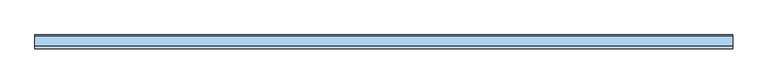
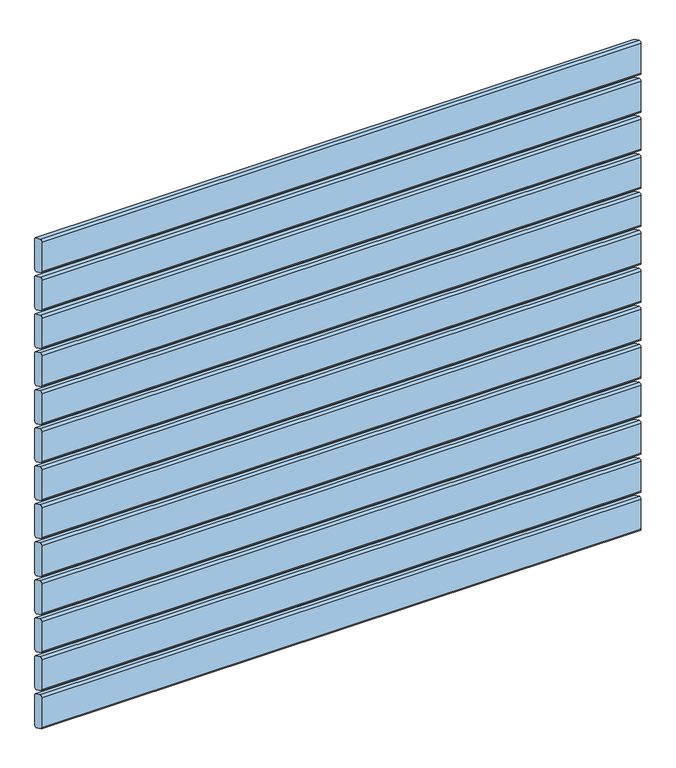
"""IFC4 building model written with IfcOpenShell, lengths in millimetres: window geometry."""

from ifc_helpers import new_model, si_unit, frame, origin, place, context, project, spatial, circle_curve, source, transform, mapped, element, save
from ifc_brep_helpers import plane_surface, cylinder_surface, advanced_brep


def window_c708cd6a(model_context):
    return source(origin(), model_context, "Body", "AdvancedBrep", [
        advanced_brep(
        [(500.0, 30.0028013, 1250.5270549), (500.0, 31.7349465, 1247.8081315), (500.0, 45.7322609, 1241.2810766), (500.0, 50.0, 1243.9736586), (500.0, 50.0, 1296.574129), (500.0, 48.9038327, 1298.8926244), (500.0, 34.1873858, 1305.7550163), (500.0, 30.0, 1303.0), (-500.0, 30.0, 1250.5270549), (-500.0, 30.0, 1303.0), (-500.0, 34.1873858, 1305.7550163), (-500.0, 48.9038327, 1298.8926244), (-500.0, 50.0, 1296.574129), (-500.0, 50.0, 1243.9736586), (-500.0, 45.7322609, 1241.2810766), (-500.0, 31.7349465, 1247.8081315)],
        [
            (0, 1, circle_curve(frame((500.0, 33.0028013, 1250.5270549), z_axis=(1.0, 0.0, 0.0), x_axis=(0.0, -0.422245314833475, -0.9064816016341312)), 3.0)),
            (1, 2),
            (2, 3, circle_curve(frame((500.0, 47.0001156, 1244.0), z_axis=(1.0, 0.0, 0.0), x_axis=(0.0, 1.0, 0.0)), 3.0)),
            (3, 4),
            (4, 5, circle_curve(frame((500.0, 47.0, 1296.574129), z_axis=(1.0, 0.0, 0.0), x_axis=(0.0, 0.4172998244673827, 0.908768868579625)), 3.0)),
            (5, 6),
            (6, 7, circle_curve(frame((500.0, 33.0, 1303.0), z_axis=(1.0, 0.0, 0.0), x_axis=(0.0, -1.0, 0.0)), 3.0)),
            (7, 0),
            (8, 9),
            (9, 10, circle_curve(frame((-500.0, 33.0, 1303.0), z_axis=(-1.0, 0.0, 0.0), x_axis=(0.0, -1.0, 0.0)), 3.0)),
            (10, 11),
            (11, 12, circle_curve(frame((-500.0, 47.0, 1296.574129), z_axis=(-1.0, 0.0, 0.0), x_axis=(0.0, 0.4172998244673827, 0.908768868579625)), 3.0)),
            (12, 13),
            (13, 14, circle_curve(frame((-500.0, 47.0001156, 1244.0), z_axis=(-1.0, 0.0, 0.0), x_axis=(0.0, 1.0, 0.0)), 3.0)),
            (14, 15),
            (15, 8, circle_curve(frame((-500.0, 33.0028013, 1250.5270549), z_axis=(-1.0, 0.0, 0.0), x_axis=(0.0, -0.422245314833475, -0.9064816016341312)), 3.0)),
            (0, 8),
            (15, 1),
            (14, 2),
            (13, 3),
            (12, 4),
            (11, 5),
            (10, 6),
            (9, 7),
        ],
        [
            plane_surface(frame((500.0, 100.0, 1273.5), z_axis=(1.0, 0.0, 0.0), x_axis=(0.0, 0.0, 1.0))),
            plane_surface(frame((-500.0, 100.0, 1273.5), z_axis=(-1.0, 0.0, 0.0), x_axis=(0.0, 0.0, 1.0))),
            cylinder_surface(frame((500.0, 33.0028013, 1250.5270549), z_axis=(1.0, 0.0, 0.0), x_axis=(0.0, -0.422245314833475, -0.9064816016341312)), 3.0),
            plane_surface(frame((500.0, 31.7349465, 1247.8081315), z_axis=(0.0, -0.4226182617407, -0.9063077870366497), x_axis=(-1.0, 0.0, 0.0))),
            cylinder_surface(frame((500.0, 47.0001156, 1244.0), z_axis=(1.0, 0.0, 0.0), x_axis=(0.0, 1.0, 0.0)), 3.0),
            plane_surface(frame((500.0, 50.0, 1243.9736586), z_axis=(0.0, 1.0, 0.0), x_axis=(-1.0, 0.0, 0.0))),
            cylinder_surface(frame((500.0, 47.0, 1296.574129), z_axis=(1.0000000000000002, 0.0, 0.0), x_axis=(0.0, 0.4172998244673827, 0.908768868579625)), 3.0),
            plane_surface(frame((500.0, 48.9038327, 1298.8926244), z_axis=(0.0, 0.4226182617406934, 0.9063077870366529), x_axis=(-1.0, 0.0, 0.0))),
            cylinder_surface(frame((500.0, 33.0, 1303.0), z_axis=(1.0, 0.0, 0.0), x_axis=(0.0, -1.0, 0.0)), 3.0),
            plane_surface(frame((500.0, 30.0, 1303.0), z_axis=(0.0, -1.0, 0.0), x_axis=(-1.0, 0.0, 0.0))),
        ],
        [
            (0, [[1, 2, 3, 4, 5, 6, 7, 8]]),
            (1, [[9, 10, 11, 12, 13, 14, 15, 16]]),
            (2, [[-1, 17, -16, 18]]),
            (3, [[-2, -18, -15, 19]]),
            (4, [[-3, -19, -14, 20]]),
            (5, [[-4, -20, -13, 21]]),
            (6, [[-5, -21, -12, 22]]),
            (7, [[-6, -22, -11, 23]]),
            (8, [[-7, -23, -10, 24]]),
            (9, [[-8, -24, -9, -17]]),
        ],
    ),
        advanced_brep(
        [(500.0, 30.0028013, 1183.5270549), (500.0, 31.7349465, 1180.8081315), (500.0, 45.7322609, 1174.2810766), (500.0, 50.0, 1176.9736586), (500.0, 50.0, 1229.574129), (500.0, 48.9038327, 1231.8926244), (500.0, 34.1873858, 1238.7550163), (500.0, 30.0, 1236.0), (-500.0, 30.0, 1183.5270549), (-500.0, 30.0, 1236.0), (-500.0, 34.1873858, 1238.7550163), (-500.0, 48.9038327, 1231.8926244), (-500.0, 50.0, 1229.574129), (-500.0, 50.0, 1176.9736586), (-500.0, 45.7322609, 1174.2810766), (-500.0, 31.7349465, 1180.8081315)],
        [
            (0, 1, circle_curve(frame((500.0, 33.0028013, 1183.5270549), z_axis=(1.0, 0.0, 0.0), x_axis=(0.0, -0.422245314833475, -0.9064816016341312)), 3.0)),
            (1, 2),
            (2, 3, circle_curve(frame((500.0, 47.0001156, 1177.0), z_axis=(1.0, 0.0, 0.0), x_axis=(0.0, 1.0, 0.0)), 3.0)),
            (3, 4),
            (4, 5, circle_curve(frame((500.0, 47.0, 1229.574129), z_axis=(1.0, 0.0, 0.0), x_axis=(0.0, 0.4172998244673827, 0.908768868579625)), 3.0)),
            (5, 6),
            (6, 7, circle_curve(frame((500.0, 33.0, 1236.0), z_axis=(1.0, 0.0, 0.0), x_axis=(0.0, -1.0, 0.0)), 3.0)),
            (7, 0),
            (8, 9),
            (9, 10, circle_curve(frame((-500.0, 33.0, 1236.0), z_axis=(-1.0, 0.0, 0.0), x_axis=(0.0, -1.0, 0.0)), 3.0)),
            (10, 11),
            (11, 12, circle_curve(frame((-500.0, 47.0, 1229.574129), z_axis=(-1.0, 0.0, 0.0), x_axis=(0.0, 0.4172998244673827, 0.908768868579625)), 3.0)),
            (12, 13),
            (13, 14, circle_curve(frame((-500.0, 47.0001156, 1177.0), z_axis=(-1.0, 0.0, 0.0), x_axis=(0.0, 1.0, 0.0)), 3.0)),
            (14, 15),
            (15, 8, circle_curve(frame((-500.0, 33.0028013, 1183.5270549), z_axis=(-1.0, 0.0, 0.0), x_axis=(0.0, -0.422245314833475, -0.9064816016341312)), 3.0)),
            (0, 8),
            (15, 1),
            (14, 2),
            (13, 3),
            (12, 4),
            (11, 5),
            (10, 6),
            (9, 7),
        ],
        [
            plane_surface(frame((500.0, 100.0, 1206.5), z_axis=(1.0, 0.0, 0.0), x_axis=(0.0, 0.0, 1.0))),
            plane_surface(frame((-500.0, 100.0, 1206.5), z_axis=(-1.0, 0.0, 0.0), x_axis=(0.0, 0.0, 1.0))),
            cylinder_surface(frame((500.0, 33.0028013, 1183.5270549), z_axis=(1.0, 0.0, 0.0), x_axis=(0.0, -0.422245314833475, -0.9064816016341312)), 3.0),
            plane_surface(frame((500.0, 31.7349465, 1180.8081315), z_axis=(0.0, -0.4226182617407, -0.9063077870366497), x_axis=(-1.0, 0.0, 0.0))),
            cylinder_surface(frame((500.0, 47.0001156, 1177.0), z_axis=(1.0, 0.0, 0.0), x_axis=(0.0, 1.0, 0.0)), 3.0),
            plane_surface(frame((500.0, 50.0, 1176.9736586), z_axis=(0.0, 1.0, 0.0), x_axis=(-1.0, 0.0, 0.0))),
            cylinder_surface(frame((500.0, 47.0, 1229.574129), z_axis=(1.0000000000000002, 0.0, 0.0), x_axis=(0.0, 0.4172998244673827, 0.908768868579625)), 3.0),
            plane_surface(frame((500.0, 48.9038327, 1231.8926244), z_axis=(0.0, 0.4226182617406934, 0.9063077870366529), x_axis=(-1.0, 0.0, 0.0))),
            cylinder_surface(frame((500.0, 33.0, 1236.0), z_axis=(1.0, 0.0, 0.0), x_axis=(0.0, -1.0, 0.0)), 3.0),
            plane_surface(frame((500.0, 30.0, 1236.0), z_axis=(0.0, -1.0, 0.0), x_axis=(-1.0, 0.0, 0.0))),
        ],
        [
            (0, [[1, 2, 3, 4, 5, 6, 7, 8]]),
            (1, [[9, 10, 11, 12, 13, 14, 15, 16]]),
            (2, [[-1, 17, -16, 18]]),
            (3, [[-2, -18, -15, 19]]),
            (4, [[-3, -19, -14, 20]]),
            (5, [[-4, -20, -13, 21]]),
            (6, [[-5, -21, -12, 22]]),
            (7, [[-6, -22, -11, 23]]),
            (8, [[-7, -23, -10, 24]]),
            (9, [[-8, -24, -9, -17]]),
        ],
    ),
        advanced_brep(
        [(500.0, 30.0028013, 1116.5270549), (500.0, 31.7349465, 1113.8081315), (500.0, 45.7322609, 1107.2810766), (500.0, 50.0, 1109.9736586), (500.0, 50.0, 1162.574129), (500.0, 48.9038327, 1164.8926244), (500.0, 34.1873858, 1171.7550163), (500.0, 30.0, 1169.0), (-500.0, 30.0, 1116.5270549), (-500.0, 30.0, 1169.0), (-500.0, 34.1873858, 1171.7550163), (-500.0, 48.9038327, 1164.8926244), (-500.0, 50.0, 1162.574129), (-500.0, 50.0, 1109.9736586), (-500.0, 45.7322609, 1107.2810766), (-500.0, 31.7349465, 1113.8081315)],
        [
            (0, 1, circle_curve(frame((500.0, 33.0028013, 1116.5270549), z_axis=(1.0, 0.0, 0.0), x_axis=(0.0, -0.422245314833475, -0.9064816016341312)), 3.0)),
            (1, 2),
            (2, 3, circle_curve(frame((500.0, 47.0001156, 1110.0), z_axis=(1.0, 0.0, 0.0), x_axis=(0.0, 1.0, 0.0)), 3.0)),
            (3, 4),
            (4, 5, circle_curve(frame((500.0, 47.0, 1162.574129), z_axis=(1.0, 0.0, 0.0), x_axis=(0.0, 0.4172998244673827, 0.908768868579625)), 3.0)),
            (5, 6),
            (6, 7, circle_curve(frame((500.0, 33.0, 1169.0), z_axis=(1.0, 0.0, 0.0), x_axis=(0.0, -1.0, 0.0)), 3.0)),
            (7, 0),
            (8, 9),
            (9, 10, circle_curve(frame((-500.0, 33.0, 1169.0), z_axis=(-1.0, 0.0, 0.0), x_axis=(0.0, -1.0, 0.0)), 3.0)),
            (10, 11),
            (11, 12, circle_curve(frame((-500.0, 47.0, 1162.574129), z_axis=(-1.0, 0.0, 0.0), x_axis=(0.0, 0.4172998244673827, 0.908768868579625)), 3.0)),
            (12, 13),
            (13, 14, circle_curve(frame((-500.0, 47.0001156, 1110.0), z_axis=(-1.0, 0.0, 0.0), x_axis=(0.0, 1.0, 0.0)), 3.0)),
            (14, 15),
            (15, 8, circle_curve(frame((-500.0, 33.0028013, 1116.5270549), z_axis=(-1.0, 0.0, 0.0), x_axis=(0.0, -0.422245314833475, -0.9064816016341312)), 3.0)),
            (0, 8),
            (15, 1),
            (14, 2),
            (13, 3),
            (12, 4),
            (11, 5),
            (10, 6),
            (9, 7),
        ],
        [
            plane_surface(frame((500.0, 100.0, 1139.5), z_axis=(1.0, 0.0, 0.0), x_axis=(0.0, 0.0, 1.0))),
            plane_surface(frame((-500.0, 100.0, 1139.5), z_axis=(-1.0, 0.0, 0.0), x_axis=(0.0, 0.0, 1.0))),
            cylinder_surface(frame((500.0, 33.0028013, 1116.5270549), z_axis=(1.0, 0.0, 0.0), x_axis=(0.0, -0.422245314833475, -0.9064816016341312)), 3.0),
            plane_surface(frame((500.0, 31.7349465, 1113.8081315), z_axis=(0.0, -0.4226182617407, -0.9063077870366497), x_axis=(-1.0, 0.0, 0.0))),
            cylinder_surface(frame((500.0, 47.0001156, 1110.0), z_axis=(1.0, 0.0, 0.0), x_axis=(0.0, 1.0, 0.0)), 3.0),
            plane_surface(frame((500.0, 50.0, 1109.9736586), z_axis=(0.0, 1.0, 0.0), x_axis=(-1.0, 0.0, 0.0))),
            cylinder_surface(frame((500.0, 47.0, 1162.574129), z_axis=(1.0000000000000002, 0.0, 0.0), x_axis=(0.0, 0.4172998244673827, 0.908768868579625)), 3.0),
            plane_surface(frame((500.0, 48.9038327, 1164.8926244), z_axis=(0.0, 0.4226182617406934, 0.9063077870366529), x_axis=(-1.0, 0.0, 0.0))),
            cylinder_surface(frame((500.0, 33.0, 1169.0), z_axis=(1.0, 0.0, 0.0), x_axis=(0.0, -1.0, 0.0)), 3.0),
            plane_surface(frame((500.0, 30.0, 1169.0), z_axis=(0.0, -1.0, 0.0), x_axis=(-1.0, 0.0, 0.0))),
        ],
        [
            (0, [[1, 2, 3, 4, 5, 6, 7, 8]]),
            (1, [[9, 10, 11, 12, 13, 14, 15, 16]]),
            (2, [[-1, 17, -16, 18]]),
            (3, [[-2, -18, -15, 19]]),
            (4, [[-3, -19, -14, 20]]),
            (5, [[-4, -20, -13, 21]]),
            (6, [[-5, -21, -12, 22]]),
            (7, [[-6, -22, -11, 23]]),
            (8, [[-7, -23, -10, 24]]),
            (9, [[-8, -24, -9, -17]]),
        ],
    ),
        advanced_brep(
        [(500.0, 30.0028013, 1049.5270549), (500.0, 31.7349465, 1046.8081315), (500.0, 45.7322609, 1040.2810766), (500.0, 50.0, 1042.9736586), (500.0, 50.0, 1095.574129), (500.0, 48.9038327, 1097.8926244), (500.0, 34.1873858, 1104.7550163), (500.0, 30.0, 1102.0), (-500.0, 30.0, 1049.5270549), (-500.0, 30.0, 1102.0), (-500.0, 34.1873858, 1104.7550163), (-500.0, 48.9038327, 1097.8926244), (-500.0, 50.0, 1095.574129), (-500.0, 50.0, 1042.9736586), (-500.0, 45.7322609, 1040.2810766), (-500.0, 31.7349465, 1046.8081315)],
        [
            (0, 1, circle_curve(frame((500.0, 33.0028013, 1049.5270549), z_axis=(1.0, 0.0, 0.0), x_axis=(0.0, -0.422245314833475, -0.9064816016341312)), 3.0)),
            (1, 2),
            (2, 3, circle_curve(frame((500.0, 47.0001156, 1043.0), z_axis=(1.0, 0.0, 0.0), x_axis=(0.0, 1.0, 0.0)), 3.0)),
            (3, 4),
            (4, 5, circle_curve(frame((500.0, 47.0, 1095.574129), z_axis=(1.0, 0.0, 0.0), x_axis=(0.0, 0.4172998244673827, 0.908768868579625)), 3.0)),
            (5, 6),
            (6, 7, circle_curve(frame((500.0, 33.0, 1102.0), z_axis=(1.0, 0.0, 0.0), x_axis=(0.0, -1.0, 0.0)), 3.0)),
            (7, 0),
            (8, 9),
            (9, 10, circle_curve(frame((-500.0, 33.0, 1102.0), z_axis=(-1.0, 0.0, 0.0), x_axis=(0.0, -1.0, 0.0)), 3.0)),
            (10, 11),
            (11, 12, circle_curve(frame((-500.0, 47.0, 1095.574129), z_axis=(-1.0, 0.0, 0.0), x_axis=(0.0, 0.4172998244673827, 0.908768868579625)), 3.0)),
            (12, 13),
            (13, 14, circle_curve(frame((-500.0, 47.0001156, 1043.0), z_axis=(-1.0, 0.0, 0.0), x_axis=(0.0, 1.0, 0.0)), 3.0)),
            (14, 15),
            (15, 8, circle_curve(frame((-500.0, 33.0028013, 1049.5270549), z_axis=(-1.0, 0.0, 0.0), x_axis=(0.0, -0.422245314833475, -0.9064816016341312)), 3.0)),
            (0, 8),
            (15, 1),
            (14, 2),
            (13, 3),
            (12, 4),
            (11, 5),
            (10, 6),
            (9, 7),
        ],
        [
            plane_surface(frame((500.0, 100.0, 1072.5), z_axis=(1.0, 0.0, 0.0), x_axis=(0.0, 0.0, 1.0))),
            plane_surface(frame((-500.0, 100.0, 1072.5), z_axis=(-1.0, 0.0, 0.0), x_axis=(0.0, 0.0, 1.0))),
            cylinder_surface(frame((500.0, 33.0028013, 1049.5270549), z_axis=(1.0, 0.0, 0.0), x_axis=(0.0, -0.422245314833475, -0.9064816016341312)), 3.0),
            plane_surface(frame((500.0, 31.7349465, 1046.8081315), z_axis=(0.0, -0.4226182617407, -0.9063077870366497), x_axis=(-1.0, 0.0, 0.0))),
            cylinder_surface(frame((500.0, 47.0001156, 1043.0), z_axis=(1.0, 0.0, 0.0), x_axis=(0.0, 1.0, 0.0)), 3.0),
            plane_surface(frame((500.0, 50.0, 1042.9736586), z_axis=(0.0, 1.0, 0.0), x_axis=(-1.0, 0.0, 0.0))),
            cylinder_surface(frame((500.0, 47.0, 1095.574129), z_axis=(1.0000000000000002, 0.0, 0.0), x_axis=(0.0, 0.4172998244673827, 0.908768868579625)), 3.0),
            plane_surface(frame((500.0, 48.9038327, 1097.8926244), z_axis=(0.0, 0.4226182617406934, 0.9063077870366529), x_axis=(-1.0, 0.0, 0.0))),
            cylinder_surface(frame((500.0, 33.0, 1102.0), z_axis=(1.0, 0.0, 0.0), x_axis=(0.0, -1.0, 0.0)), 3.0),
            plane_surface(frame((500.0, 30.0, 1102.0), z_axis=(0.0, -1.0, 0.0), x_axis=(-1.0, 0.0, 0.0))),
        ],
        [
            (0, [[1, 2, 3, 4, 5, 6, 7, 8]]),
            (1, [[9, 10, 11, 12, 13, 14, 15, 16]]),
            (2, [[-1, 17, -16, 18]]),
            (3, [[-2, -18, -15, 19]]),
            (4, [[-3, -19, -14, 20]]),
            (5, [[-4, -20, -13, 21]]),
            (6, [[-5, -21, -12, 22]]),
            (7, [[-6, -22, -11, 23]]),
            (8, [[-7, -23, -10, 24]]),
            (9, [[-8, -24, -9, -17]]),
        ],
    ),
        advanced_brep(
        [(500.0, 30.0028013, 982.5270549), (500.0, 31.7349465, 979.8081315), (500.0, 45.7322609, 973.2810766), (500.0, 50.0, 975.9736586), (500.0, 50.0, 1028.574129), (500.0, 48.9038327, 1030.8926244), (500.0, 34.1873858, 1037.7550163), (500.0, 30.0, 1035.0), (-500.0, 30.0, 982.5270549), (-500.0, 30.0, 1035.0), (-500.0, 34.1873858, 1037.7550163), (-500.0, 48.9038327, 1030.8926244), (-500.0, 50.0, 1028.574129), (-500.0, 50.0, 975.9736586), (-500.0, 45.7322609, 973.2810766), (-500.0, 31.7349465, 979.8081315)],
        [
            (0, 1, circle_curve(frame((500.0, 33.0028013, 982.5270549), z_axis=(1.0, 0.0, 0.0), x_axis=(0.0, -0.422245314833475, -0.9064816016341312)), 3.0)),
            (1, 2),
            (2, 3, circle_curve(frame((500.0, 47.0001156, 976.0), z_axis=(1.0, 0.0, 0.0), x_axis=(0.0, 1.0, 0.0)), 3.0)),
            (3, 4),
            (4, 5, circle_curve(frame((500.0, 47.0, 1028.574129), z_axis=(1.0, 0.0, 0.0), x_axis=(0.0, 0.4172998244673827, 0.908768868579625)), 3.0)),
            (5, 6),
            (6, 7, circle_curve(frame((500.0, 33.0, 1035.0), z_axis=(1.0, 0.0, 0.0), x_axis=(0.0, -1.0, 0.0)), 3.0)),
            (7, 0),
            (8, 9),
            (9, 10, circle_curve(frame((-500.0, 33.0, 1035.0), z_axis=(-1.0, 0.0, 0.0), x_axis=(0.0, -1.0, 0.0)), 3.0)),
            (10, 11),
            (11, 12, circle_curve(frame((-500.0, 47.0, 1028.574129), z_axis=(-1.0, 0.0, 0.0), x_axis=(0.0, 0.4172998244673827, 0.908768868579625)), 3.0)),
            (12, 13),
            (13, 14, circle_curve(frame((-500.0, 47.0001156, 976.0), z_axis=(-1.0, 0.0, 0.0), x_axis=(0.0, 1.0, 0.0)), 3.0)),
            (14, 15),
            (15, 8, circle_curve(frame((-500.0, 33.0028013, 982.5270549), z_axis=(-1.0, 0.0, 0.0), x_axis=(0.0, -0.422245314833475, -0.9064816016341312)), 3.0)),
            (0, 8),
            (15, 1),
            (14, 2),
            (13, 3),
            (12, 4),
            (11, 5),
            (10, 6),
            (9, 7),
        ],
        [
            plane_surface(frame((500.0, 100.0, 1005.5), z_axis=(1.0, 0.0, 0.0), x_axis=(0.0, 0.0, 1.0))),
            plane_surface(frame((-500.0, 100.0, 1005.5), z_axis=(-1.0, 0.0, 0.0), x_axis=(0.0, 0.0, 1.0))),
            cylinder_surface(frame((500.0, 33.0028013, 982.5270549), z_axis=(1.0, 0.0, 0.0), x_axis=(0.0, -0.422245314833475, -0.9064816016341312)), 3.0),
            plane_surface(frame((500.0, 31.7349465, 979.8081315), z_axis=(0.0, -0.4226182617407, -0.9063077870366497), x_axis=(-1.0, 0.0, 0.0))),
            cylinder_surface(frame((500.0, 47.0001156, 976.0), z_axis=(1.0, 0.0, 0.0), x_axis=(0.0, 1.0, 0.0)), 3.0),
            plane_surface(frame((500.0, 50.0, 975.9736586), z_axis=(0.0, 1.0, 0.0), x_axis=(-1.0, 0.0, 0.0))),
            cylinder_surface(frame((500.0, 47.0, 1028.574129), z_axis=(1.0000000000000002, 0.0, 0.0), x_axis=(0.0, 0.4172998244673827, 0.908768868579625)), 3.0),
            plane_surface(frame((500.0, 48.9038327, 1030.8926244), z_axis=(0.0, 0.4226182617406934, 0.9063077870366529), x_axis=(-1.0, 0.0, 0.0))),
            cylinder_surface(frame((500.0, 33.0, 1035.0), z_axis=(1.0, 0.0, 0.0), x_axis=(0.0, -1.0, 0.0)), 3.0),
            plane_surface(frame((500.0, 30.0, 1035.0), z_axis=(0.0, -1.0, 0.0), x_axis=(-1.0, 0.0, 0.0))),
        ],
        [
            (0, [[1, 2, 3, 4, 5, 6, 7, 8]]),
            (1, [[9, 10, 11, 12, 13, 14, 15, 16]]),
            (2, [[-1, 17, -16, 18]]),
            (3, [[-2, -18, -15, 19]]),
            (4, [[-3, -19, -14, 20]]),
            (5, [[-4, -20, -13, 21]]),
            (6, [[-5, -21, -12, 22]]),
            (7, [[-6, -22, -11, 23]]),
            (8, [[-7, -23, -10, 24]]),
            (9, [[-8, -24, -9, -17]]),
        ],
    ),
        advanced_brep(
        [(500.0, 30.0028013, 915.5270549), (500.0, 31.7349465, 912.8081315), (500.0, 45.7322609, 906.2810766), (500.0, 50.0, 908.9736586), (500.0, 50.0, 961.574129), (500.0, 48.9038327, 963.8926244), (500.0, 34.1873858, 970.7550163), (500.0, 30.0, 968.0), (-500.0, 30.0, 915.5270549), (-500.0, 30.0, 968.0), (-500.0, 34.1873858, 970.7550163), (-500.0, 48.9038327, 963.8926244), (-500.0, 50.0, 961.574129), (-500.0, 50.0, 908.9736586), (-500.0, 45.7322609, 906.2810766), (-500.0, 31.7349465, 912.8081315)],
        [
            (0, 1, circle_curve(frame((500.0, 33.0028013, 915.5270549), z_axis=(1.0, 0.0, 0.0), x_axis=(0.0, -0.422245314833475, -0.9064816016341312)), 3.0)),
            (1, 2),
            (2, 3, circle_curve(frame((500.0, 47.0001156, 909.0), z_axis=(1.0, 0.0, 0.0), x_axis=(0.0, 1.0, 0.0)), 3.0)),
            (3, 4),
            (4, 5, circle_curve(frame((500.0, 47.0, 961.574129), z_axis=(1.0, 0.0, 0.0), x_axis=(0.0, 0.4172998244673827, 0.908768868579625)), 3.0)),
            (5, 6),
            (6, 7, circle_curve(frame((500.0, 33.0, 968.0), z_axis=(1.0, 0.0, 0.0), x_axis=(0.0, -1.0, 0.0)), 3.0)),
            (7, 0),
            (8, 9),
            (9, 10, circle_curve(frame((-500.0, 33.0, 968.0), z_axis=(-1.0, 0.0, 0.0), x_axis=(0.0, -1.0, 0.0)), 3.0)),
            (10, 11),
            (11, 12, circle_curve(frame((-500.0, 47.0, 961.574129), z_axis=(-1.0, 0.0, 0.0), x_axis=(0.0, 0.4172998244673827, 0.908768868579625)), 3.0)),
            (12, 13),
            (13, 14, circle_curve(frame((-500.0, 47.0001156, 909.0), z_axis=(-1.0, 0.0, 0.0), x_axis=(0.0, 1.0, 0.0)), 3.0)),
            (14, 15),
            (15, 8, circle_curve(frame((-500.0, 33.0028013, 915.5270549), z_axis=(-1.0, 0.0, 0.0), x_axis=(0.0, -0.422245314833475, -0.9064816016341312)), 3.0)),
            (0, 8),
            (15, 1),
            (14, 2),
            (13, 3),
            (12, 4),
            (11, 5),
            (10, 6),
            (9, 7),
        ],
        [
            plane_surface(frame((500.0, 100.0, 938.5), z_axis=(1.0, 0.0, 0.0), x_axis=(0.0, 0.0, 1.0))),
            plane_surface(frame((-500.0, 100.0, 938.5), z_axis=(-1.0, 0.0, 0.0), x_axis=(0.0, 0.0, 1.0))),
            cylinder_surface(frame((500.0, 33.0028013, 915.5270549), z_axis=(1.0, 0.0, 0.0), x_axis=(0.0, -0.422245314833475, -0.9064816016341312)), 3.0),
            plane_surface(frame((500.0, 31.7349465, 912.8081315), z_axis=(0.0, -0.4226182617407, -0.9063077870366497), x_axis=(-1.0, 0.0, 0.0))),
            cylinder_surface(frame((500.0, 47.0001156, 909.0), z_axis=(1.0, 0.0, 0.0), x_axis=(0.0, 1.0, 0.0)), 3.0),
            plane_surface(frame((500.0, 50.0, 908.9736586), z_axis=(0.0, 1.0, 0.0), x_axis=(-1.0, 0.0, 0.0))),
            cylinder_surface(frame((500.0, 47.0, 961.574129), z_axis=(1.0000000000000002, 0.0, 0.0), x_axis=(0.0, 0.4172998244673827, 0.908768868579625)), 3.0),
            plane_surface(frame((500.0, 48.9038327, 963.8926244), z_axis=(0.0, 0.4226182617406934, 0.9063077870366529), x_axis=(-1.0, 0.0, 0.0))),
            cylinder_surface(frame((500.0, 33.0, 968.0), z_axis=(1.0, 0.0, 0.0), x_axis=(0.0, -1.0, 0.0)), 3.0),
            plane_surface(frame((500.0, 30.0, 968.0), z_axis=(0.0, -1.0, 0.0), x_axis=(-1.0, 0.0, 0.0))),
        ],
        [
            (0, [[1, 2, 3, 4, 5, 6, 7, 8]]),
            (1, [[9, 10, 11, 12, 13, 14, 15, 16]]),
            (2, [[-1, 17, -16, 18]]),
            (3, [[-2, -18, -15, 19]]),
            (4, [[-3, -19, -14, 20]]),
            (5, [[-4, -20, -13, 21]]),
            (6, [[-5, -21, -12, 22]]),
            (7, [[-6, -22, -11, 23]]),
            (8, [[-7, -23, -10, 24]]),
            (9, [[-8, -24, -9, -17]]),
        ],
    ),
        advanced_brep(
        [(500.0, 30.0028013, 848.5270549), (500.0, 31.7349465, 845.8081315), (500.0, 45.7322609, 839.2810766), (500.0, 50.0, 841.9736586), (500.0, 50.0, 894.574129), (500.0, 48.9038327, 896.8926244), (500.0, 34.1873858, 903.7550163), (500.0, 30.0, 901.0), (-500.0, 30.0, 848.5270549), (-500.0, 30.0, 901.0), (-500.0, 34.1873858, 903.7550163), (-500.0, 48.9038327, 896.8926244), (-500.0, 50.0, 894.574129), (-500.0, 50.0, 841.9736586), (-500.0, 45.7322609, 839.2810766), (-500.0, 31.7349465, 845.8081315)],
        [
            (0, 1, circle_curve(frame((500.0, 33.0028013, 848.5270549), z_axis=(1.0, 0.0, 0.0), x_axis=(0.0, -0.422245314833475, -0.9064816016341312)), 3.0)),
            (1, 2),
            (2, 3, circle_curve(frame((500.0, 47.0001156, 842.0), z_axis=(1.0, 0.0, 0.0), x_axis=(0.0, 1.0, 0.0)), 3.0)),
            (3, 4),
            (4, 5, circle_curve(frame((500.0, 47.0, 894.574129), z_axis=(1.0, 0.0, 0.0), x_axis=(0.0, 0.4172998244673827, 0.908768868579625)), 3.0)),
            (5, 6),
            (6, 7, circle_curve(frame((500.0, 33.0, 901.0), z_axis=(1.0, 0.0, 0.0), x_axis=(0.0, -1.0, 0.0)), 3.0)),
            (7, 0),
            (8, 9),
            (9, 10, circle_curve(frame((-500.0, 33.0, 901.0), z_axis=(-1.0, 0.0, 0.0), x_axis=(0.0, -1.0, 0.0)), 3.0)),
            (10, 11),
            (11, 12, circle_curve(frame((-500.0, 47.0, 894.574129), z_axis=(-1.0, 0.0, 0.0), x_axis=(0.0, 0.4172998244673827, 0.908768868579625)), 3.0)),
            (12, 13),
            (13, 14, circle_curve(frame((-500.0, 47.0001156, 842.0), z_axis=(-1.0, 0.0, 0.0), x_axis=(0.0, 1.0, 0.0)), 3.0)),
            (14, 15),
            (15, 8, circle_curve(frame((-500.0, 33.0028013, 848.5270549), z_axis=(-1.0, 0.0, 0.0), x_axis=(0.0, -0.422245314833475, -0.9064816016341312)), 3.0)),
            (0, 8),
            (15, 1),
            (14, 2),
            (13, 3),
            (12, 4),
            (11, 5),
            (10, 6),
            (9, 7),
        ],
        [
            plane_surface(frame((500.0, 100.0, 871.5), z_axis=(1.0, 0.0, 0.0), x_axis=(0.0, 0.0, 1.0))),
            plane_surface(frame((-500.0, 100.0, 871.5), z_axis=(-1.0, 0.0, 0.0), x_axis=(0.0, 0.0, 1.0))),
            cylinder_surface(frame((500.0, 33.0028013, 848.5270549), z_axis=(1.0, 0.0, 0.0), x_axis=(0.0, -0.422245314833475, -0.9064816016341312)), 3.0),
            plane_surface(frame((500.0, 31.7349465, 845.8081315), z_axis=(0.0, -0.4226182617407, -0.9063077870366497), x_axis=(-1.0, 0.0, 0.0))),
            cylinder_surface(frame((500.0, 47.0001156, 842.0), z_axis=(1.0, 0.0, 0.0), x_axis=(0.0, 1.0, 0.0)), 3.0),
            plane_surface(frame((500.0, 50.0, 841.9736586), z_axis=(0.0, 1.0, 0.0), x_axis=(-1.0, 0.0, 0.0))),
            cylinder_surface(frame((500.0, 47.0, 894.574129), z_axis=(1.0000000000000002, 0.0, 0.0), x_axis=(0.0, 0.4172998244673827, 0.908768868579625)), 3.0),
            plane_surface(frame((500.0, 48.9038327, 896.8926244), z_axis=(0.0, 0.4226182617406934, 0.9063077870366529), x_axis=(-1.0, 0.0, 0.0))),
            cylinder_surface(frame((500.0, 33.0, 901.0), z_axis=(1.0, 0.0, 0.0), x_axis=(0.0, -1.0, 0.0)), 3.0),
            plane_surface(frame((500.0, 30.0, 901.0), z_axis=(0.0, -1.0, 0.0), x_axis=(-1.0, 0.0, 0.0))),
        ],
        [
            (0, [[1, 2, 3, 4, 5, 6, 7, 8]]),
            (1, [[9, 10, 11, 12, 13, 14, 15, 16]]),
            (2, [[-1, 17, -16, 18]]),
            (3, [[-2, -18, -15, 19]]),
            (4, [[-3, -19, -14, 20]]),
            (5, [[-4, -20, -13, 21]]),
            (6, [[-5, -21, -12, 22]]),
            (7, [[-6, -22, -11, 23]]),
            (8, [[-7, -23, -10, 24]]),
            (9, [[-8, -24, -9, -17]]),
        ],
    ),
        advanced_brep(
        [(500.0, 30.0028013, 781.5270549), (500.0, 31.7349465, 778.8081315), (500.0, 45.7322609, 772.2810766), (500.0, 50.0, 774.9736586), (500.0, 50.0, 827.574129), (500.0, 48.9038327, 829.8926244), (500.0, 34.1873858, 836.7550163), (500.0, 30.0, 834.0), (-500.0, 30.0, 781.5270549), (-500.0, 30.0, 834.0), (-500.0, 34.1873858, 836.7550163), (-500.0, 48.9038327, 829.8926244), (-500.0, 50.0, 827.574129), (-500.0, 50.0, 774.9736586), (-500.0, 45.7322609, 772.2810766), (-500.0, 31.7349465, 778.8081315)],
        [
            (0, 1, circle_curve(frame((500.0, 33.0028013, 781.5270549), z_axis=(1.0, 0.0, 0.0), x_axis=(0.0, -0.422245314833475, -0.9064816016341312)), 3.0)),
            (1, 2),
            (2, 3, circle_curve(frame((500.0, 47.0001156, 775.0), z_axis=(1.0, 0.0, 0.0), x_axis=(0.0, 1.0, 0.0)), 3.0)),
            (3, 4),
            (4, 5, circle_curve(frame((500.0, 47.0, 827.574129), z_axis=(1.0, 0.0, 0.0), x_axis=(0.0, 0.4172998244673827, 0.908768868579625)), 3.0)),
            (5, 6),
            (6, 7, circle_curve(frame((500.0, 33.0, 834.0), z_axis=(1.0, 0.0, 0.0), x_axis=(0.0, -1.0, 0.0)), 3.0)),
            (7, 0),
            (8, 9),
            (9, 10, circle_curve(frame((-500.0, 33.0, 834.0), z_axis=(-1.0, 0.0, 0.0), x_axis=(0.0, -1.0, 0.0)), 3.0)),
            (10, 11),
            (11, 12, circle_curve(frame((-500.0, 47.0, 827.574129), z_axis=(-1.0, 0.0, 0.0), x_axis=(0.0, 0.4172998244673827, 0.908768868579625)), 3.0)),
            (12, 13),
            (13, 14, circle_curve(frame((-500.0, 47.0001156, 775.0), z_axis=(-1.0, 0.0, 0.0), x_axis=(0.0, 1.0, 0.0)), 3.0)),
            (14, 15),
            (15, 8, circle_curve(frame((-500.0, 33.0028013, 781.5270549), z_axis=(-1.0, 0.0, 0.0), x_axis=(0.0, -0.422245314833475, -0.9064816016341312)), 3.0)),
            (0, 8),
            (15, 1),
            (14, 2),
            (13, 3),
            (12, 4),
            (11, 5),
            (10, 6),
            (9, 7),
        ],
        [
            plane_surface(frame((500.0, 100.0, 804.5), z_axis=(1.0, 0.0, 0.0), x_axis=(0.0, 0.0, 1.0))),
            plane_surface(frame((-500.0, 100.0, 804.5), z_axis=(-1.0, 0.0, 0.0), x_axis=(0.0, 0.0, 1.0))),
            cylinder_surface(frame((500.0, 33.0028013, 781.5270549), z_axis=(1.0, 0.0, 0.0), x_axis=(0.0, -0.422245314833475, -0.9064816016341312)), 3.0),
            plane_surface(frame((500.0, 31.7349465, 778.8081315), z_axis=(0.0, -0.4226182617407, -0.9063077870366497), x_axis=(-1.0, 0.0, 0.0))),
            cylinder_surface(frame((500.0, 47.0001156, 775.0), z_axis=(1.0, 0.0, 0.0), x_axis=(0.0, 1.0, 0.0)), 3.0),
            plane_surface(frame((500.0, 50.0, 774.9736586), z_axis=(0.0, 1.0, 0.0), x_axis=(-1.0, 0.0, 0.0))),
            cylinder_surface(frame((500.0, 47.0, 827.574129), z_axis=(1.0000000000000002, 0.0, 0.0), x_axis=(0.0, 0.4172998244673827, 0.908768868579625)), 3.0),
            plane_surface(frame((500.0, 48.9038327, 829.8926244), z_axis=(0.0, 0.4226182617406934, 0.9063077870366529), x_axis=(-1.0, 0.0, 0.0))),
            cylinder_surface(frame((500.0, 33.0, 834.0), z_axis=(1.0, 0.0, 0.0), x_axis=(0.0, -1.0, 0.0)), 3.0),
            plane_surface(frame((500.0, 30.0, 834.0), z_axis=(0.0, -1.0, 0.0), x_axis=(-1.0, 0.0, 0.0))),
        ],
        [
            (0, [[1, 2, 3, 4, 5, 6, 7, 8]]),
            (1, [[9, 10, 11, 12, 13, 14, 15, 16]]),
            (2, [[-1, 17, -16, 18]]),
            (3, [[-2, -18, -15, 19]]),
            (4, [[-3, -19, -14, 20]]),
            (5, [[-4, -20, -13, 21]]),
            (6, [[-5, -21, -12, 22]]),
            (7, [[-6, -22, -11, 23]]),
            (8, [[-7, -23, -10, 24]]),
            (9, [[-8, -24, -9, -17]]),
        ],
    ),
        advanced_brep(
        [(500.0, 30.0028013, 714.5270549), (500.0, 31.7349465, 711.8081315), (500.0, 45.7322609, 705.2810766), (500.0, 50.0, 707.9736586), (500.0, 50.0, 760.574129), (500.0, 48.9038327, 762.8926244), (500.0, 34.1873858, 769.7550163), (500.0, 30.0, 767.0), (-500.0, 30.0, 714.5270549), (-500.0, 30.0, 767.0), (-500.0, 34.1873858, 769.7550163), (-500.0, 48.9038327, 762.8926244), (-500.0, 50.0, 760.574129), (-500.0, 50.0, 707.9736586), (-500.0, 45.7322609, 705.2810766), (-500.0, 31.7349465, 711.8081315)],
        [
            (0, 1, circle_curve(frame((500.0, 33.0028013, 714.5270549), z_axis=(1.0, 0.0, 0.0), x_axis=(0.0, -0.422245314833475, -0.9064816016341312)), 3.0)),
            (1, 2),
            (2, 3, circle_curve(frame((500.0, 47.0001156, 708.0), z_axis=(1.0, 0.0, 0.0), x_axis=(0.0, 1.0, 0.0)), 3.0)),
            (3, 4),
            (4, 5, circle_curve(frame((500.0, 47.0, 760.574129), z_axis=(1.0, 0.0, 0.0), x_axis=(0.0, 0.4172998244673827, 0.908768868579625)), 3.0)),
            (5, 6),
            (6, 7, circle_curve(frame((500.0, 33.0, 767.0), z_axis=(1.0, 0.0, 0.0), x_axis=(0.0, -1.0, 0.0)), 3.0)),
            (7, 0),
            (8, 9),
            (9, 10, circle_curve(frame((-500.0, 33.0, 767.0), z_axis=(-1.0, 0.0, 0.0), x_axis=(0.0, -1.0, 0.0)), 3.0)),
            (10, 11),
            (11, 12, circle_curve(frame((-500.0, 47.0, 760.574129), z_axis=(-1.0, 0.0, 0.0), x_axis=(0.0, 0.4172998244673827, 0.908768868579625)), 3.0)),
            (12, 13),
            (13, 14, circle_curve(frame((-500.0, 47.0001156, 708.0), z_axis=(-1.0, 0.0, 0.0), x_axis=(0.0, 1.0, 0.0)), 3.0)),
            (14, 15),
            (15, 8, circle_curve(frame((-500.0, 33.0028013, 714.5270549), z_axis=(-1.0, 0.0, 0.0), x_axis=(0.0, -0.422245314833475, -0.9064816016341312)), 3.0)),
            (0, 8),
            (15, 1),
            (14, 2),
            (13, 3),
            (12, 4),
            (11, 5),
            (10, 6),
            (9, 7),
        ],
        [
            plane_surface(frame((500.0, 100.0, 737.5), z_axis=(1.0, 0.0, 0.0), x_axis=(0.0, 0.0, 1.0))),
            plane_surface(frame((-500.0, 100.0, 737.5), z_axis=(-1.0, 0.0, 0.0), x_axis=(0.0, 0.0, 1.0))),
            cylinder_surface(frame((500.0, 33.0028013, 714.5270549), z_axis=(1.0, 0.0, 0.0), x_axis=(0.0, -0.422245314833475, -0.9064816016341312)), 3.0),
            plane_surface(frame((500.0, 31.7349465, 711.8081315), z_axis=(0.0, -0.4226182617407, -0.9063077870366497), x_axis=(-1.0, 0.0, 0.0))),
            cylinder_surface(frame((500.0, 47.0001156, 708.0), z_axis=(1.0, 0.0, 0.0), x_axis=(0.0, 1.0, 0.0)), 3.0),
            plane_surface(frame((500.0, 50.0, 707.9736586), z_axis=(0.0, 1.0, 0.0), x_axis=(-1.0, 0.0, 0.0))),
            cylinder_surface(frame((500.0, 47.0, 760.574129), z_axis=(1.0000000000000002, 0.0, 0.0), x_axis=(0.0, 0.4172998244673827, 0.908768868579625)), 3.0),
            plane_surface(frame((500.0, 48.9038327, 762.8926244), z_axis=(0.0, 0.4226182617406934, 0.9063077870366529), x_axis=(-1.0, 0.0, 0.0))),
            cylinder_surface(frame((500.0, 33.0, 767.0), z_axis=(1.0, 0.0, 0.0), x_axis=(0.0, -1.0, 0.0)), 3.0),
            plane_surface(frame((500.0, 30.0, 767.0), z_axis=(0.0, -1.0, 0.0), x_axis=(-1.0, 0.0, 0.0))),
        ],
        [
            (0, [[1, 2, 3, 4, 5, 6, 7, 8]]),
            (1, [[9, 10, 11, 12, 13, 14, 15, 16]]),
            (2, [[-1, 17, -16, 18]]),
            (3, [[-2, -18, -15, 19]]),
            (4, [[-3, -19, -14, 20]]),
            (5, [[-4, -20, -13, 21]]),
            (6, [[-5, -21, -12, 22]]),
            (7, [[-6, -22, -11, 23]]),
            (8, [[-7, -23, -10, 24]]),
            (9, [[-8, -24, -9, -17]]),
        ],
    ),
        advanced_brep(
        [(500.0, 30.0028013, 647.5270549), (500.0, 31.7349465, 644.8081315), (500.0, 45.7322609, 638.2810766), (500.0, 50.0, 640.9736586), (500.0, 50.0, 693.574129), (500.0, 48.9038327, 695.8926244), (500.0, 34.1873858, 702.7550163), (500.0, 30.0, 700.0), (-500.0, 30.0, 647.5270549), (-500.0, 30.0, 700.0), (-500.0, 34.1873858, 702.7550163), (-500.0, 48.9038327, 695.8926244), (-500.0, 50.0, 693.574129), (-500.0, 50.0, 640.9736586), (-500.0, 45.7322609, 638.2810766), (-500.0, 31.7349465, 644.8081315)],
        [
            (0, 1, circle_curve(frame((500.0, 33.0028013, 647.5270549), z_axis=(1.0, 0.0, 0.0), x_axis=(0.0, -0.422245314833475, -0.9064816016341312)), 3.0)),
            (1, 2),
            (2, 3, circle_curve(frame((500.0, 47.0001156, 641.0), z_axis=(1.0, 0.0, 0.0), x_axis=(0.0, 1.0, 0.0)), 3.0)),
            (3, 4),
            (4, 5, circle_curve(frame((500.0, 47.0, 693.574129), z_axis=(1.0, 0.0, 0.0), x_axis=(0.0, 0.4172998244673827, 0.908768868579625)), 3.0)),
            (5, 6),
            (6, 7, circle_curve(frame((500.0, 33.0, 700.0), z_axis=(1.0, 0.0, 0.0), x_axis=(0.0, -1.0, 0.0)), 3.0)),
            (7, 0),
            (8, 9),
            (9, 10, circle_curve(frame((-500.0, 33.0, 700.0), z_axis=(-1.0, 0.0, 0.0), x_axis=(0.0, -1.0, 0.0)), 3.0)),
            (10, 11),
            (11, 12, circle_curve(frame((-500.0, 47.0, 693.574129), z_axis=(-1.0, 0.0, 0.0), x_axis=(0.0, 0.4172998244673827, 0.908768868579625)), 3.0)),
            (12, 13),
            (13, 14, circle_curve(frame((-500.0, 47.0001156, 641.0), z_axis=(-1.0, 0.0, 0.0), x_axis=(0.0, 1.0, 0.0)), 3.0)),
            (14, 15),
            (15, 8, circle_curve(frame((-500.0, 33.0028013, 647.5270549), z_axis=(-1.0, 0.0, 0.0), x_axis=(0.0, -0.422245314833475, -0.9064816016341312)), 3.0)),
            (0, 8),
            (15, 1),
            (14, 2),
            (13, 3),
            (12, 4),
            (11, 5),
            (10, 6),
            (9, 7),
        ],
        [
            plane_surface(frame((500.0, 100.0, 670.5), z_axis=(1.0, 0.0, 0.0), x_axis=(0.0, 0.0, 1.0))),
            plane_surface(frame((-500.0, 100.0, 670.5), z_axis=(-1.0, 0.0, 0.0), x_axis=(0.0, 0.0, 1.0))),
            cylinder_surface(frame((500.0, 33.0028013, 647.5270549), z_axis=(1.0, 0.0, 0.0), x_axis=(0.0, -0.422245314833475, -0.9064816016341312)), 3.0),
            plane_surface(frame((500.0, 31.7349465, 644.8081315), z_axis=(0.0, -0.4226182617407, -0.9063077870366497), x_axis=(-1.0, 0.0, 0.0))),
            cylinder_surface(frame((500.0, 47.0001156, 641.0), z_axis=(1.0, 0.0, 0.0), x_axis=(0.0, 1.0, 0.0)), 3.0),
            plane_surface(frame((500.0, 50.0, 640.9736586), z_axis=(0.0, 1.0, 0.0), x_axis=(-1.0, 0.0, 0.0))),
            cylinder_surface(frame((500.0, 47.0, 693.574129), z_axis=(1.0000000000000002, 0.0, 0.0), x_axis=(0.0, 0.4172998244673827, 0.908768868579625)), 3.0),
            plane_surface(frame((500.0, 48.9038327, 695.8926244), z_axis=(0.0, 0.4226182617406934, 0.9063077870366529), x_axis=(-1.0, 0.0, 0.0))),
            cylinder_surface(frame((500.0, 33.0, 700.0), z_axis=(1.0, 0.0, 0.0), x_axis=(0.0, -1.0, 0.0)), 3.0),
            plane_surface(frame((500.0, 30.0, 700.0), z_axis=(0.0, -1.0, 0.0), x_axis=(-1.0, 0.0, 0.0))),
        ],
        [
            (0, [[1, 2, 3, 4, 5, 6, 7, 8]]),
            (1, [[9, 10, 11, 12, 13, 14, 15, 16]]),
            (2, [[-1, 17, -16, 18]]),
            (3, [[-2, -18, -15, 19]]),
            (4, [[-3, -19, -14, 20]]),
            (5, [[-4, -20, -13, 21]]),
            (6, [[-5, -21, -12, 22]]),
            (7, [[-6, -22, -11, 23]]),
            (8, [[-7, -23, -10, 24]]),
            (9, [[-8, -24, -9, -17]]),
        ],
    ),
        advanced_brep(
        [(500.0, 30.0028013, 580.5270549), (500.0, 31.7349465, 577.8081315), (500.0, 45.7322609, 571.2810766), (500.0, 50.0, 573.9736586), (500.0, 50.0, 626.574129), (500.0, 48.9038327, 628.8926244), (500.0, 34.1873858, 635.7550163), (500.0, 30.0, 633.0), (-500.0, 30.0, 580.5270549), (-500.0, 30.0, 633.0), (-500.0, 34.1873858, 635.7550163), (-500.0, 48.9038327, 628.8926244), (-500.0, 50.0, 626.574129), (-500.0, 50.0, 573.9736586), (-500.0, 45.7322609, 571.2810766), (-500.0, 31.7349465, 577.8081315)],
        [
            (0, 1, circle_curve(frame((500.0, 33.0028013, 580.5270549), z_axis=(1.0, 0.0, 0.0), x_axis=(0.0, -0.422245314833475, -0.9064816016341312)), 3.0)),
            (1, 2),
            (2, 3, circle_curve(frame((500.0, 47.0001156, 574.0), z_axis=(1.0, 0.0, 0.0), x_axis=(0.0, 1.0, 0.0)), 3.0)),
            (3, 4),
            (4, 5, circle_curve(frame((500.0, 47.0, 626.574129), z_axis=(1.0, 0.0, 0.0), x_axis=(0.0, 0.4172998244673827, 0.908768868579625)), 3.0)),
            (5, 6),
            (6, 7, circle_curve(frame((500.0, 33.0, 633.0), z_axis=(1.0, 0.0, 0.0), x_axis=(0.0, -1.0, 0.0)), 3.0)),
            (7, 0),
            (8, 9),
            (9, 10, circle_curve(frame((-500.0, 33.0, 633.0), z_axis=(-1.0, 0.0, 0.0), x_axis=(0.0, -1.0, 0.0)), 3.0)),
            (10, 11),
            (11, 12, circle_curve(frame((-500.0, 47.0, 626.574129), z_axis=(-1.0, 0.0, 0.0), x_axis=(0.0, 0.4172998244673827, 0.908768868579625)), 3.0)),
            (12, 13),
            (13, 14, circle_curve(frame((-500.0, 47.0001156, 574.0), z_axis=(-1.0, 0.0, 0.0), x_axis=(0.0, 1.0, 0.0)), 3.0)),
            (14, 15),
            (15, 8, circle_curve(frame((-500.0, 33.0028013, 580.5270549), z_axis=(-1.0, 0.0, 0.0), x_axis=(0.0, -0.422245314833475, -0.9064816016341312)), 3.0)),
            (0, 8),
            (15, 1),
            (14, 2),
            (13, 3),
            (12, 4),
            (11, 5),
            (10, 6),
            (9, 7),
        ],
        [
            plane_surface(frame((500.0, 100.0, 603.5), z_axis=(1.0, 0.0, 0.0), x_axis=(0.0, 0.0, 1.0))),
            plane_surface(frame((-500.0, 100.0, 603.5), z_axis=(-1.0, 0.0, 0.0), x_axis=(0.0, 0.0, 1.0))),
            cylinder_surface(frame((500.0, 33.0028013, 580.5270549), z_axis=(1.0, 0.0, 0.0), x_axis=(0.0, -0.422245314833475, -0.9064816016341312)), 3.0),
            plane_surface(frame((500.0, 31.7349465, 577.8081315), z_axis=(0.0, -0.4226182617407, -0.9063077870366497), x_axis=(-1.0, 0.0, 0.0))),
            cylinder_surface(frame((500.0, 47.0001156, 574.0), z_axis=(1.0, 0.0, 0.0), x_axis=(0.0, 1.0, 0.0)), 3.0),
            plane_surface(frame((500.0, 50.0, 573.9736586), z_axis=(0.0, 1.0, 0.0), x_axis=(-1.0, 0.0, 0.0))),
            cylinder_surface(frame((500.0, 47.0, 626.574129), z_axis=(1.0000000000000002, 0.0, 0.0), x_axis=(0.0, 0.4172998244673827, 0.908768868579625)), 3.0),
            plane_surface(frame((500.0, 48.9038327, 628.8926244), z_axis=(0.0, 0.4226182617406934, 0.9063077870366529), x_axis=(-1.0, 0.0, 0.0))),
            cylinder_surface(frame((500.0, 33.0, 633.0), z_axis=(1.0, 0.0, 0.0), x_axis=(0.0, -1.0, 0.0)), 3.0),
            plane_surface(frame((500.0, 30.0, 633.0), z_axis=(0.0, -1.0, 0.0), x_axis=(-1.0, 0.0, 0.0))),
        ],
        [
            (0, [[1, 2, 3, 4, 5, 6, 7, 8]]),
            (1, [[9, 10, 11, 12, 13, 14, 15, 16]]),
            (2, [[-1, 17, -16, 18]]),
            (3, [[-2, -18, -15, 19]]),
            (4, [[-3, -19, -14, 20]]),
            (5, [[-4, -20, -13, 21]]),
            (6, [[-5, -21, -12, 22]]),
            (7, [[-6, -22, -11, 23]]),
            (8, [[-7, -23, -10, 24]]),
            (9, [[-8, -24, -9, -17]]),
        ],
    ),
        advanced_brep(
        [(500.0, 30.0028013, 513.5270549), (500.0, 31.7349465, 510.8081315), (500.0, 45.7322609, 504.2810766), (500.0, 50.0, 506.9736586), (500.0, 50.0, 559.574129), (500.0, 48.9038327, 561.8926244), (500.0, 34.1873858, 568.7550163), (500.0, 30.0, 566.0), (-500.0, 30.0, 513.5270549), (-500.0, 30.0, 566.0), (-500.0, 34.1873858, 568.7550163), (-500.0, 48.9038327, 561.8926244), (-500.0, 50.0, 559.574129), (-500.0, 50.0, 506.9736586), (-500.0, 45.7322609, 504.2810766), (-500.0, 31.7349465, 510.8081315)],
        [
            (0, 1, circle_curve(frame((500.0, 33.0028013, 513.5270549), z_axis=(1.0, 0.0, 0.0), x_axis=(0.0, -0.422245314833475, -0.9064816016341312)), 3.0)),
            (1, 2),
            (2, 3, circle_curve(frame((500.0, 47.0001156, 507.0), z_axis=(1.0, 0.0, 0.0), x_axis=(0.0, 1.0, 0.0)), 3.0)),
            (3, 4),
            (4, 5, circle_curve(frame((500.0, 47.0, 559.574129), z_axis=(1.0, 0.0, 0.0), x_axis=(0.0, 0.4172998244673827, 0.908768868579625)), 3.0)),
            (5, 6),
            (6, 7, circle_curve(frame((500.0, 33.0, 566.0), z_axis=(1.0, 0.0, 0.0), x_axis=(0.0, -1.0, 0.0)), 3.0)),
            (7, 0),
            (8, 9),
            (9, 10, circle_curve(frame((-500.0, 33.0, 566.0), z_axis=(-1.0, 0.0, 0.0), x_axis=(0.0, -1.0, 0.0)), 3.0)),
            (10, 11),
            (11, 12, circle_curve(frame((-500.0, 47.0, 559.574129), z_axis=(-1.0, 0.0, 0.0), x_axis=(0.0, 0.4172998244673827, 0.908768868579625)), 3.0)),
            (12, 13),
            (13, 14, circle_curve(frame((-500.0, 47.0001156, 507.0), z_axis=(-1.0, 0.0, 0.0), x_axis=(0.0, 1.0, 0.0)), 3.0)),
            (14, 15),
            (15, 8, circle_curve(frame((-500.0, 33.0028013, 513.5270549), z_axis=(-1.0, 0.0, 0.0), x_axis=(0.0, -0.422245314833475, -0.9064816016341312)), 3.0)),
            (0, 8),
            (15, 1),
            (14, 2),
            (13, 3),
            (12, 4),
            (11, 5),
            (10, 6),
            (9, 7),
        ],
        [
            plane_surface(frame((500.0, 100.0, 536.5), z_axis=(1.0, 0.0, 0.0), x_axis=(0.0, 0.0, 1.0))),
            plane_surface(frame((-500.0, 100.0, 536.5), z_axis=(-1.0, 0.0, 0.0), x_axis=(0.0, 0.0, 1.0))),
            cylinder_surface(frame((500.0, 33.0028013, 513.5270549), z_axis=(1.0, 0.0, 0.0), x_axis=(0.0, -0.422245314833475, -0.9064816016341312)), 3.0),
            plane_surface(frame((500.0, 31.7349465, 510.8081315), z_axis=(0.0, -0.4226182617407, -0.9063077870366497), x_axis=(-1.0, 0.0, 0.0))),
            cylinder_surface(frame((500.0, 47.0001156, 507.0), z_axis=(1.0, 0.0, 0.0), x_axis=(0.0, 1.0, 0.0)), 3.0),
            plane_surface(frame((500.0, 50.0, 506.9736586), z_axis=(0.0, 1.0, 0.0), x_axis=(-1.0, 0.0, 0.0))),
            cylinder_surface(frame((500.0, 47.0, 559.574129), z_axis=(1.0000000000000002, 0.0, 0.0), x_axis=(0.0, 0.4172998244673827, 0.908768868579625)), 3.0),
            plane_surface(frame((500.0, 48.9038327, 561.8926244), z_axis=(0.0, 0.4226182617406934, 0.9063077870366529), x_axis=(-1.0, 0.0, 0.0))),
            cylinder_surface(frame((500.0, 33.0, 566.0), z_axis=(1.0, 0.0, 0.0), x_axis=(0.0, -1.0, 0.0)), 3.0),
            plane_surface(frame((500.0, 30.0, 566.0), z_axis=(0.0, -1.0, 0.0), x_axis=(-1.0, 0.0, 0.0))),
        ],
        [
            (0, [[1, 2, 3, 4, 5, 6, 7, 8]]),
            (1, [[9, 10, 11, 12, 13, 14, 15, 16]]),
            (2, [[-1, 17, -16, 18]]),
            (3, [[-2, -18, -15, 19]]),
            (4, [[-3, -19, -14, 20]]),
            (5, [[-4, -20, -13, 21]]),
            (6, [[-5, -21, -12, 22]]),
            (7, [[-6, -22, -11, 23]]),
            (8, [[-7, -23, -10, 24]]),
            (9, [[-8, -24, -9, -17]]),
        ],
    ),
        advanced_brep(
        [(500.0, 30.0028013, 446.5270549), (500.0, 31.7349465, 443.8081315), (500.0, 45.7322609, 437.2810766), (500.0, 50.0, 439.9736586), (500.0, 50.0, 492.574129), (500.0, 48.9038327, 494.8926244), (500.0, 34.1873858, 501.7550163), (500.0, 30.0, 499.0), (-500.0, 30.0, 446.5270549), (-500.0, 30.0, 499.0), (-500.0, 34.1873858, 501.7550163), (-500.0, 48.9038327, 494.8926244), (-500.0, 50.0, 492.574129), (-500.0, 50.0, 439.9736586), (-500.0, 45.7322609, 437.2810766), (-500.0, 31.7349465, 443.8081315)],
        [
            (0, 1, circle_curve(frame((500.0, 33.0028013, 446.5270549), z_axis=(1.0, 0.0, 0.0), x_axis=(0.0, -0.422245314833475, -0.9064816016341312)), 3.0)),
            (1, 2),
            (2, 3, circle_curve(frame((500.0, 47.0001156, 440.0), z_axis=(1.0, 0.0, 0.0), x_axis=(0.0, 1.0, 0.0)), 3.0)),
            (3, 4),
            (4, 5, circle_curve(frame((500.0, 47.0, 492.574129), z_axis=(1.0, 0.0, 0.0), x_axis=(0.0, 0.4172998244673827, 0.908768868579625)), 3.0)),
            (5, 6),
            (6, 7, circle_curve(frame((500.0, 33.0, 499.0), z_axis=(1.0, 0.0, 0.0), x_axis=(0.0, -1.0, 0.0)), 3.0)),
            (7, 0),
            (8, 9),
            (9, 10, circle_curve(frame((-500.0, 33.0, 499.0), z_axis=(-1.0, 0.0, 0.0), x_axis=(0.0, -1.0, 0.0)), 3.0)),
            (10, 11),
            (11, 12, circle_curve(frame((-500.0, 47.0, 492.574129), z_axis=(-1.0, 0.0, 0.0), x_axis=(0.0, 0.4172998244673827, 0.908768868579625)), 3.0)),
            (12, 13),
            (13, 14, circle_curve(frame((-500.0, 47.0001156, 440.0), z_axis=(-1.0, 0.0, 0.0), x_axis=(0.0, 1.0, 0.0)), 3.0)),
            (14, 15),
            (15, 8, circle_curve(frame((-500.0, 33.0028013, 446.5270549), z_axis=(-1.0, 0.0, 0.0), x_axis=(0.0, -0.422245314833475, -0.9064816016341312)), 3.0)),
            (0, 8),
            (15, 1),
            (14, 2),
            (13, 3),
            (12, 4),
            (11, 5),
            (10, 6),
            (9, 7),
        ],
        [
            plane_surface(frame((500.0, 100.0, 469.5), z_axis=(1.0, 0.0, 0.0), x_axis=(0.0, 0.0, 1.0))),
            plane_surface(frame((-500.0, 100.0, 469.5), z_axis=(-1.0, 0.0, 0.0), x_axis=(0.0, 0.0, 1.0))),
            cylinder_surface(frame((500.0, 33.0028013, 446.5270549), z_axis=(1.0, 0.0, 0.0), x_axis=(0.0, -0.422245314833475, -0.9064816016341312)), 3.0),
            plane_surface(frame((500.0, 31.7349465, 443.8081315), z_axis=(0.0, -0.4226182617407, -0.9063077870366497), x_axis=(-1.0, 0.0, 0.0))),
            cylinder_surface(frame((500.0, 47.0001156, 440.0), z_axis=(1.0, 0.0, 0.0), x_axis=(0.0, 1.0, 0.0)), 3.0),
            plane_surface(frame((500.0, 50.0, 439.9736586), z_axis=(0.0, 1.0, 0.0), x_axis=(-1.0, 0.0, 0.0))),
            cylinder_surface(frame((500.0, 47.0, 492.574129), z_axis=(1.0000000000000002, 0.0, 0.0), x_axis=(0.0, 0.4172998244673827, 0.908768868579625)), 3.0),
            plane_surface(frame((500.0, 48.9038327, 494.8926244), z_axis=(0.0, 0.4226182617406934, 0.9063077870366529), x_axis=(-1.0, 0.0, 0.0))),
            cylinder_surface(frame((500.0, 33.0, 499.0), z_axis=(1.0, 0.0, 0.0), x_axis=(0.0, -1.0, 0.0)), 3.0),
            plane_surface(frame((500.0, 30.0, 499.0), z_axis=(0.0, -1.0, 0.0), x_axis=(-1.0, 0.0, 0.0))),
        ],
        [
            (0, [[1, 2, 3, 4, 5, 6, 7, 8]]),
            (1, [[9, 10, 11, 12, 13, 14, 15, 16]]),
            (2, [[-1, 17, -16, 18]]),
            (3, [[-2, -18, -15, 19]]),
            (4, [[-3, -19, -14, 20]]),
            (5, [[-4, -20, -13, 21]]),
            (6, [[-5, -21, -12, 22]]),
            (7, [[-6, -22, -11, 23]]),
            (8, [[-7, -23, -10, 24]]),
            (9, [[-8, -24, -9, -17]]),
        ],
    ),
    ])


if __name__ == "__main__":
    model = new_model("IFC4")
    model_context = context("Model", 3, world=origin())
    ifc_project = project(units=[si_unit("LENGTHUNIT", "METRE", prefix="MILLI")], contexts=[model_context])
    site = spatial("IfcSite", under=ifc_project)
    building = spatial("IfcBuilding", under=site)
    placement = place(None, origin())
    window_shape = window_c708cd6a(model_context)
    element("IfcWindow", 1, at=placement, inside=building, context=model_context, shape_type="MappedRepresentation", body=[
        mapped(window_shape, transform((0.0, 0.0, 0.0), x_axis=(1.0, 0.0, 0.0), y_axis=(0.0, 1.0, 0.0), z_axis=(0.0, 0.0, 1.0))),
    ])
    save(model, "model.ifc")
